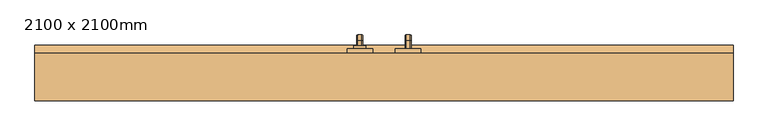
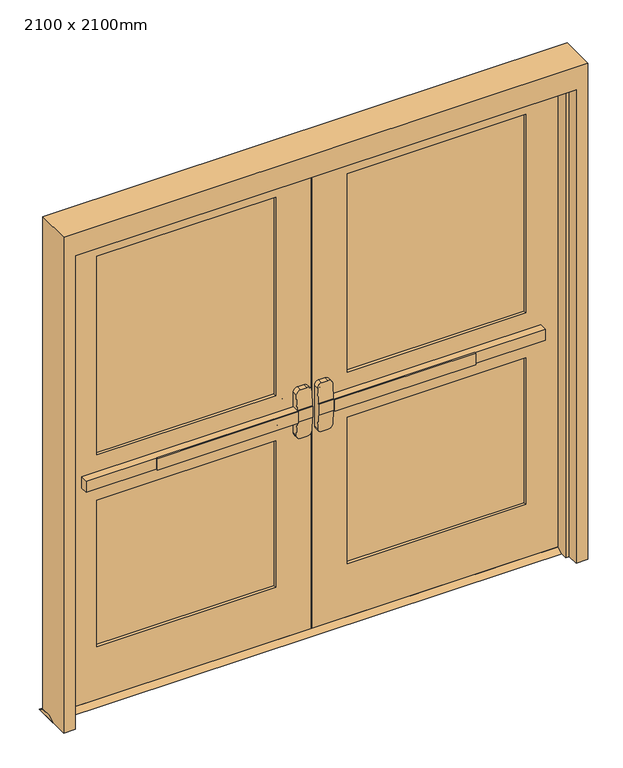
"""IFC4 building model written with IfcOpenShell, lengths in millimetres: door geometry, 2100 x 2100mm."""

from ifc_helpers import new_model, si_unit, point, frame, frame_2d, origin, place, context, project, spatial, polyline, circle_curve, ellipse_curve, trimmed, segment, composite_curve, outline, extrude, faceted_brep, source, transform, mapped, element, save
from ifc_brep_helpers import plane_surface, cylinder_surface, revolved_surface, advanced_brep


def door_2100_x_2100mm_03cffece(model_context):
    return source(origin(), model_context, "Body", "SolidModel", [
        extrude(outline(polyline([(-667.2, 108.25), (-667.2, 114.6), (-76.2, 114.6), (-76.2, 108.25), (-667.2, 108.25)])), frame((0.0, 0.0, 974.6), z_axis=(0.0, 0.0, 1.0), x_axis=(1.0, 0.0, 0.0)), (0.0, 0.0, 1.0), 50.8),
        advanced_brep(
        [(-12.7, 114.6, 1025.4), (-76.2, 114.6, 1025.4), (-962.7, 114.6, 1025.4), (-962.7, 114.6, 974.6), (-76.2, 114.6, 974.6), (-12.7, 114.6, 974.6), (-962.7, 146.35, 1025.4), (-76.2, 146.35, 1025.4), (-76.2, 146.35, 1088.9), (-57.15, 146.35, 1107.95), (-31.75, 146.35, 1107.95), (-12.7, 146.35, 1088.9), (-12.7, 146.35, 911.1), (-31.75, 146.35, 892.05), (-57.15, 146.35, 892.05), (-76.2, 146.35, 911.1), (-76.2, 146.35, 974.6), (-962.7, 146.35, 974.6), (-12.7, 117.7752467, 1025.4), (-76.2, 117.7752467, 1025.4), (-12.7, 117.7752467, 974.6), (-12.7, 122.7854269, 911.1), (-12.7, 122.7854269, 1088.9), (-76.2, 117.7752467, 974.6), (-76.2, 122.7854269, 1088.9), (-76.2, 122.7854269, 911.1), (-57.15, 124.288481, 1107.95), (-31.75, 124.288481, 1107.95), (-31.75, 124.288481, 892.05), (-57.15, 124.288481, 892.05)],
        [
            (0, 1),
            (1, 2),
            (2, 3),
            (3, 4),
            (4, 5),
            (5, 0),
            (6, 7),
            (7, 8),
            (8, 9, circle_curve(frame((-57.15, 146.35, 1088.9), z_axis=(0.0, 1.0, 0.0), x_axis=(-1.0, 0.0, 0.0)), 19.05)),
            (9, 10),
            (10, 11, circle_curve(frame((-31.75, 146.35, 1088.9), z_axis=(0.0, 1.0, 0.0), x_axis=(-1.0, 0.0, 0.0)), 19.05)),
            (11, 12),
            (12, 13, circle_curve(frame((-31.75, 146.35, 911.1), z_axis=(0.0, 1.0, 0.0), x_axis=(-1.0, 0.0, 0.0)), 19.05)),
            (13, 14),
            (14, 15, circle_curve(frame((-57.15, 146.35, 911.1), z_axis=(0.0, 1.0, 0.0), x_axis=(-1.0, 0.0, 0.0)), 19.05)),
            (15, 16),
            (16, 17),
            (17, 6),
            (0, 18),
            (18, 19),
            (19, 7),
            (6, 2),
            (5, 20),
            (20, 21),
            (21, 12),
            (11, 22),
            (22, 18),
            (16, 23),
            (23, 20),
            (3, 17),
            (19, 24),
            (24, 8),
            (15, 25),
            (25, 23),
            (9, 26),
            (26, 27),
            (27, 10),
            (13, 28),
            (28, 29),
            (29, 14),
            (29, 25, ellipse_curve(frame((-57.15, 122.7854269, 911.1), z_axis=(0.0, 0.9969018152893365, 0.07865602756830282), x_axis=(0.0, -0.07865602756830208, 0.9969018152893365)), 19.1092038, 19.05)),
            (24, 26, ellipse_curve(frame((-57.15, 122.7854269, 1088.9), z_axis=(0.0, 0.9969018152893376, -0.07865602756828934), x_axis=(0.0, -0.078656027568288, -0.9969018152893377)), 19.1092038, 19.05)),
            (27, 22, ellipse_curve(frame((-31.75, 122.7854269, 1088.9), z_axis=(0.0, 0.9969018152893376, -0.07865602756828934), x_axis=(0.0, -0.078656027568288, -0.9969018152893377)), 19.1092038, 19.05)),
            (21, 28, ellipse_curve(frame((-31.75, 122.7854269, 911.1), z_axis=(0.0, 0.9969018152893365, 0.07865602756830282), x_axis=(0.0, -0.07865602756830208, 0.9969018152893365)), 19.1092038, 19.05)),
        ],
        [
            plane_surface(frame((-12.7, 114.6, 1025.4), z_axis=(0.0, -1.0, 0.0), x_axis=(1.0, 0.0, 0.0))),
            plane_surface(frame((-12.7, 146.35, 1025.4), z_axis=(0.0, 1.0, 0.0), x_axis=(-1.0, 0.0, 0.0))),
            plane_surface(frame((-962.7, 114.6, 1025.4), z_axis=(0.0, 0.0, 1.0), x_axis=(0.0, 1.0, 0.0))),
            plane_surface(frame((-12.7, 114.6, 1025.4), z_axis=(1.0, 0.0, 0.0), x_axis=(0.0, 1.0, 0.0))),
            plane_surface(frame((-12.7, 114.6, 974.6), z_axis=(0.0, 0.0, -1.0), x_axis=(0.0, 1.0, 0.0))),
            plane_surface(frame((-962.7, 114.6, 974.6), z_axis=(-1.0, 0.0, 0.0), x_axis=(0.0, 1.0, 0.0))),
            plane_surface(frame((-76.2, 117.7752467, 911.1), z_axis=(-1.0, 0.0, 0.0), x_axis=(0.0, 1.0, 0.0))),
            plane_surface(frame((-57.15, 117.7752467, 1107.95), z_axis=(0.0, 0.0, 1.0), x_axis=(0.0, 1.0, 0.0))),
            plane_surface(frame((-31.75, 117.7752467, 892.05), z_axis=(0.0, 0.0, -1.0), x_axis=(0.0, 1.0, 0.0))),
            cylinder_surface(frame((-57.15, 146.35, 911.1), z_axis=(0.0, -1.0, 0.0), x_axis=(-1.0, 0.0, 0.0)), 19.05),
            cylinder_surface(frame((-57.15, 146.35, 1088.9), z_axis=(0.0, -1.0, 0.0), x_axis=(-1.0, 0.0, 0.0)), 19.05),
            cylinder_surface(frame((-31.75, 146.35, 1088.9), z_axis=(0.0, -1.0, 0.0), x_axis=(-1.0, 0.0, 0.0)), 19.05),
            cylinder_surface(frame((-31.75, 146.35, 911.1), z_axis=(0.0, -1.0, 0.0), x_axis=(-1.0, 0.0, 0.0)), 19.05),
            plane_surface(frame((-76.2, 117.7752467, 1025.4), z_axis=(0.0, -0.9969018152893376, 0.07865602756828934), x_axis=(1.0, 0.0, 0.0))),
            plane_surface(frame((-76.2, 124.288481, 892.05), z_axis=(0.0, -0.9969018152893365, -0.07865602756830282), x_axis=(1.0, 0.0, 0.0))),
        ],
        [
            (0, [[1, 2, 3, 4, 5, 6]]),
            (1, [[7, 8, 9, 10, 11, 12, 13, 14, 15, 16, 17, 18]]),
            (2, [[-2, -1, 19, 20, 21, -7, 22]]),
            (3, [[23, 24, 25, -12, 26, 27, -19, -6]]),
            (4, [[-17, 28, 29, -23, -5, -4, 30]]),
            (5, [[-22, -18, -30, -3]]),
            (6, [[-21, 31, 32, -8]]),
            (6, [[33, 34, -28, -16]]),
            (7, [[35, 36, 37, -10]]),
            (8, [[38, 39, 40, -14]]),
            (9, [[-40, 41, -33, -15]]),
            (10, [[-32, 42, -35, -9]]),
            (11, [[-37, 43, -26, -11]]),
            (12, [[-25, 44, -38, -13]]),
            (13, [[-27, -43, -36, -42, -31, -20]]),
            (14, [[-29, -34, -41, -39, -44, -24]]),
        ],
    ),
        extrude(outline(polyline([(191.35, 15.0), (216.75, 0.0), (120.95, 0.0), (146.35, 15.0), (191.35, 15.0)])), frame((-1100.0, 0.0, 0.0), z_axis=(1.0, 0.0, 0.0), x_axis=(0.0, 1.0, 0.0)), (0.0, 0.0, 1.0), 2200.0),
        extrude(outline(polyline([(667.2, 108.25), (76.2, 108.25), (76.2, 114.6), (667.2, 114.6), (667.2, 108.25)])), frame((0.0, 0.0, 974.6), z_axis=(0.0, 0.0, 1.0), x_axis=(1.0, 0.0, 0.0)), (0.0, 0.0, 1.0), 50.8),
        advanced_brep(
        [(12.7, 114.6, 1025.4), (12.7, 114.6, 974.6), (76.2, 114.6, 974.6), (962.7, 114.6, 974.6), (962.7, 114.6, 1025.4), (76.2, 114.6, 1025.4), (962.7, 146.35, 1025.4), (962.7, 146.35, 974.6), (76.2, 146.35, 974.6), (76.2, 146.35, 911.1), (57.15, 146.35, 892.05), (31.75, 146.35, 892.05), (12.7, 146.35, 911.1), (12.7, 146.35, 1088.9), (31.75, 146.35, 1107.95), (57.15, 146.35, 1107.95), (76.2, 146.35, 1088.9), (76.2, 146.35, 1025.4), (76.2, 117.7752467, 1025.4), (12.7, 117.7752467, 1025.4), (12.7, 122.7854269, 1088.9), (12.7, 122.7854269, 911.1), (12.7, 117.7752467, 974.6), (76.2, 117.7752467, 974.6), (76.2, 122.7854269, 911.1), (76.2, 122.7854269, 1088.9), (31.75, 124.288481, 1107.95), (57.15, 124.288481, 1107.95), (57.15, 124.288481, 892.05), (31.75, 124.288481, 892.05)],
        [
            (0, 1),
            (1, 2),
            (2, 3),
            (3, 4),
            (4, 5),
            (5, 0),
            (6, 7),
            (7, 8),
            (8, 9),
            (9, 10, circle_curve(frame((57.15, 146.35, 911.1), z_axis=(0.0, 1.0, 0.0), x_axis=(1.0, 0.0, 0.0)), 19.05)),
            (10, 11),
            (11, 12, circle_curve(frame((31.75, 146.35, 911.1), z_axis=(0.0, 1.0, 0.0), x_axis=(1.0, 0.0, 0.0)), 19.05)),
            (12, 13),
            (13, 14, circle_curve(frame((31.75, 146.35, 1088.9), z_axis=(0.0, 1.0, 0.0), x_axis=(1.0, 0.0, 0.0)), 19.05)),
            (14, 15),
            (15, 16, circle_curve(frame((57.15, 146.35, 1088.9), z_axis=(0.0, 1.0, 0.0), x_axis=(1.0, 0.0, 0.0)), 19.05)),
            (16, 17),
            (17, 6),
            (4, 6),
            (17, 18),
            (18, 19),
            (19, 0),
            (19, 20),
            (20, 13),
            (12, 21),
            (21, 22),
            (22, 1),
            (7, 3),
            (22, 23),
            (23, 8),
            (23, 24),
            (24, 9),
            (16, 25),
            (25, 18),
            (14, 26),
            (26, 27),
            (27, 15),
            (10, 28),
            (28, 29),
            (29, 11),
            (24, 28, ellipse_curve(frame((57.15, 122.7854269, 911.1), z_axis=(0.0, 0.9969018152893365, 0.07865602756830282), x_axis=(0.0, -0.07865602756830208, 0.9969018152893365)), 19.1092038, 19.05)),
            (27, 25, ellipse_curve(frame((57.15, 122.7854269, 1088.9), z_axis=(0.0, 0.9969018152893376, -0.07865602756828934), x_axis=(0.0, -0.078656027568288, -0.9969018152893377)), 19.1092038, 19.05)),
            (20, 26, ellipse_curve(frame((31.75, 122.7854269, 1088.9), z_axis=(0.0, 0.9969018152893376, -0.07865602756828934), x_axis=(0.0, -0.078656027568288, -0.9969018152893377)), 19.1092038, 19.05)),
            (29, 21, ellipse_curve(frame((31.75, 122.7854269, 911.1), z_axis=(0.0, 0.9969018152893365, 0.07865602756830282), x_axis=(0.0, -0.07865602756830208, 0.9969018152893365)), 19.1092038, 19.05)),
        ],
        [
            plane_surface(frame((12.7, 114.6, 1025.4), z_axis=(0.0, -1.0, 0.0), x_axis=(-1.0, 0.0, 0.0))),
            plane_surface(frame((12.7, 146.35, 1025.4), z_axis=(0.0, 1.0, 0.0), x_axis=(1.0, 0.0, 0.0))),
            plane_surface(frame((962.7, 114.6, 1025.4), z_axis=(0.0, 0.0, 1.0), x_axis=(0.0, 1.0, 0.0))),
            plane_surface(frame((12.7, 114.6, 1025.4), z_axis=(-1.0, 0.0, 0.0), x_axis=(0.0, 1.0, 0.0))),
            plane_surface(frame((12.7, 114.6, 974.6), z_axis=(0.0, 0.0, -1.0), x_axis=(0.0, 1.0, 0.0))),
            plane_surface(frame((962.7, 114.6, 974.6), z_axis=(1.0, 0.0, 0.0), x_axis=(0.0, 1.0, 0.0))),
            plane_surface(frame((76.2, 117.7752467, 911.1), z_axis=(1.0, 0.0, 0.0), x_axis=(0.0, 1.0, 0.0))),
            plane_surface(frame((57.15, 117.7752467, 1107.95), z_axis=(0.0, 0.0, 1.0), x_axis=(0.0, 1.0, 0.0))),
            plane_surface(frame((31.75, 117.7752467, 892.05), z_axis=(0.0, 0.0, -1.0), x_axis=(0.0, 1.0, 0.0))),
            cylinder_surface(frame((57.15, 146.35, 911.1), z_axis=(0.0, -1.0, 0.0), x_axis=(1.0, 0.0, 0.0)), 19.05),
            cylinder_surface(frame((57.15, 146.35, 1088.9), z_axis=(0.0, -1.0, 0.0), x_axis=(1.0, 0.0, 0.0)), 19.05),
            cylinder_surface(frame((31.75, 146.35, 1088.9), z_axis=(0.0, -1.0, 0.0), x_axis=(1.0, 0.0, 0.0)), 19.05),
            cylinder_surface(frame((31.75, 146.35, 911.1), z_axis=(0.0, -1.0, 0.0), x_axis=(1.0, 0.0, 0.0)), 19.05),
            plane_surface(frame((76.2, 117.7752467, 1025.4), z_axis=(0.0, -0.9969018152893376, 0.07865602756828934), x_axis=(-1.0, 0.0, 0.0))),
            plane_surface(frame((76.2, 124.288481, 892.05), z_axis=(0.0, -0.9969018152893365, -0.07865602756830282), x_axis=(-1.0, 0.0, 0.0))),
        ],
        [
            (0, [[1, 2, 3, 4, 5, 6]]),
            (1, [[7, 8, 9, 10, 11, 12, 13, 14, 15, 16, 17, 18]]),
            (2, [[19, -18, 20, 21, 22, -6, -5]]),
            (3, [[-1, -22, 23, 24, -13, 25, 26, 27]]),
            (4, [[28, -3, -2, -27, 29, 30, -8]]),
            (5, [[-4, -28, -7, -19]]),
            (6, [[-9, -30, 31, 32]]),
            (6, [[-17, 33, 34, -20]]),
            (7, [[-15, 35, 36, 37]]),
            (8, [[-11, 38, 39, 40]]),
            (9, [[-10, -32, 41, -38]]),
            (10, [[-16, -37, 42, -33]]),
            (11, [[-14, -24, 43, -35]]),
            (12, [[-12, -40, 44, -25]]),
            (13, [[-21, -34, -42, -36, -43, -23]]),
            (14, [[-26, -44, -39, -41, -31, -29]]),
        ],
    ),
        advanced_brep(
        [(66.2, 206.35, 1001.190625), (66.2, 206.35, 998.809375), (69.771875, 206.35, 995.2375), (82.6284594, 206.35, 995.2375), (86.2, 206.35, 998.8090406), (86.2, 206.35, 1001.190625), (82.628125, 206.35, 1004.7625), (69.771875, 206.35, 1004.7625), (66.2, 206.35, 874.609375), (69.771875, 206.35, 871.0375), (82.628125, 206.35, 871.0375), (86.2, 206.35, 874.609375), (86.2, 206.35, 876.9909594), (82.6284594, 206.35, 880.5625), (69.771875, 206.35, 880.5625), (66.2, 206.35, 876.990625), (66.2, 231.75, 1001.190625), (66.2, 245.640625, 987.3), (66.2, 245.640625, 888.5), (66.2, 231.75, 874.609375), (66.2, 231.75, 876.990625), (66.2, 243.259375, 888.5), (66.2, 243.259375, 987.3), (66.2, 231.75, 998.809375), (69.771875, 231.75, 995.2375), (82.6284594, 231.75, 995.2375), (86.2, 231.75, 998.8090406), (86.2, 243.2590406, 987.3), (86.2, 243.2590406, 888.5), (86.2, 231.75, 876.9909594), (86.2, 231.75, 874.609375), (86.2, 245.640625, 888.5), (86.2, 245.640625, 987.3), (86.2, 231.75, 1001.190625), (82.628125, 231.75, 1004.7625), (69.771875, 231.75, 1004.7625), (69.771875, 239.6875, 987.3), (82.6284594, 239.6875, 987.3), (82.628125, 249.2125, 987.3), (69.771875, 249.2125, 987.3), (69.771875, 239.6875, 888.5), (82.6284594, 239.6875, 888.5), (82.628125, 249.2125, 888.5), (69.771875, 249.2125, 888.5), (69.771875, 231.75, 880.5625), (82.6284594, 231.75, 880.5625), (82.628125, 231.75, 871.0375), (69.771875, 231.75, 871.0375)],
        [
            (0, 1),
            (1, 2, circle_curve(frame((69.771875, 206.35, 998.809375), z_axis=(0.0, -1.0, 0.0), x_axis=(0.0, 0.0, 1.0)), 3.571875)),
            (2, 3),
            (3, 4, circle_curve(frame((82.6284594, 206.35, 998.8090406), z_axis=(0.0, -1.0, 0.0), x_axis=(0.0, 0.0, 1.0)), 3.5715406)),
            (4, 5),
            (5, 6, circle_curve(frame((82.628125, 206.35, 1001.190625), z_axis=(0.0, -1.0, 0.0), x_axis=(0.0, 0.0, 1.0)), 3.571875)),
            (6, 7),
            (7, 0, circle_curve(frame((69.771875, 206.35, 1001.190625), z_axis=(0.0, -1.0, 0.0), x_axis=(0.0, 0.0, 1.0)), 3.571875)),
            (8, 9, circle_curve(frame((69.771875, 206.35, 874.609375), z_axis=(0.0, -1.0, 0.0), x_axis=(0.0, 0.0, -1.0)), 3.571875)),
            (9, 10),
            (10, 11, circle_curve(frame((82.628125, 206.35, 874.609375), z_axis=(0.0, -1.0, 0.0), x_axis=(0.0, 0.0, -1.0)), 3.571875)),
            (11, 12),
            (12, 13, circle_curve(frame((82.6284594, 206.35, 876.9909594), z_axis=(0.0, -1.0, 0.0), x_axis=(0.0, 0.0, -1.0)), 3.5715406)),
            (13, 14),
            (14, 15, circle_curve(frame((69.771875, 206.35, 876.990625), z_axis=(0.0, -1.0, 0.0), x_axis=(0.0, 0.0, -1.0)), 3.571875)),
            (15, 8),
            (0, 16),
            (16, 17, circle_curve(frame((66.2, 231.75, 987.3), z_axis=(-1.0, 0.0, 0.0), x_axis=(0.0, 0.0, 1.0)), 13.890625)),
            (17, 18),
            (18, 19, circle_curve(frame((66.2, 231.75, 888.5), z_axis=(-1.0, 0.0, 0.0), x_axis=(0.0, 1.0, 0.0)), 13.890625)),
            (19, 8),
            (15, 20),
            (20, 21, circle_curve(frame((66.2, 231.75, 888.5), z_axis=(1.0, 0.0, 0.0), x_axis=(0.0, 1.0, 0.0)), 11.509375)),
            (21, 22),
            (22, 23, circle_curve(frame((66.2, 231.75, 987.3), z_axis=(1.0, 0.0, 0.0), x_axis=(0.0, 0.0, 1.0)), 11.509375)),
            (23, 1),
            (23, 24, circle_curve(frame((69.771875, 231.75, 998.809375), z_axis=(0.0, -1.0, 0.0), x_axis=(0.0, 0.0, 1.0)), 3.571875)),
            (24, 2),
            (24, 25),
            (25, 3),
            (25, 26, circle_curve(frame((82.6284594, 231.75, 998.8090406), z_axis=(0.0, -1.0, 0.0), x_axis=(0.0, 0.0, 1.0)), 3.5715406)),
            (26, 4),
            (26, 27, circle_curve(frame((86.2, 231.75, 987.3), z_axis=(-1.0, 0.0, 0.0), x_axis=(0.0, 0.0, 1.0)), 11.5090406)),
            (27, 28),
            (28, 29, circle_curve(frame((86.2, 231.75, 888.5), z_axis=(-1.0, 0.0, 0.0), x_axis=(0.0, 1.0, 0.0)), 11.5090406)),
            (29, 12),
            (11, 30),
            (30, 31, circle_curve(frame((86.2, 231.75, 888.5), z_axis=(1.0, 0.0, 0.0), x_axis=(0.0, 1.0, 0.0)), 13.890625)),
            (31, 32),
            (32, 33, circle_curve(frame((86.2, 231.75, 987.3), z_axis=(1.0, 0.0, 0.0), x_axis=(0.0, 0.0, 1.0)), 13.890625)),
            (33, 5),
            (33, 34, circle_curve(frame((82.628125, 231.75, 1001.190625), z_axis=(0.0, -1.0, 0.0), x_axis=(0.0, 0.0, 1.0)), 3.571875)),
            (34, 6),
            (34, 35),
            (35, 7),
            (35, 16, circle_curve(frame((69.771875, 231.75, 1001.190625), z_axis=(0.0, -1.0, 0.0), x_axis=(0.0, 0.0, 1.0)), 3.571875)),
            (36, 24, circle_curve(frame((69.771875, 231.75, 987.3), z_axis=(1.0, 0.0, 0.0), x_axis=(0.0, 0.0, 1.0)), 7.9375)),
            (22, 36, circle_curve(frame((69.771875, 243.259375, 987.3), z_axis=(0.0, 0.0, 1.0), x_axis=(0.0, 1.0, 0.0)), 3.571875)),
            (37, 25, circle_curve(frame((82.6284594, 231.75, 987.3), z_axis=(1.0, 0.0, 0.0), x_axis=(0.0, 0.0, 1.0)), 7.9375)),
            (36, 37),
            (37, 27, circle_curve(frame((82.6284594, 243.2590406, 987.3), z_axis=(0.0, 0.0, 1.0), x_axis=(0.0, 1.0, 0.0)), 3.5715406)),
            (38, 34, circle_curve(frame((82.628125, 231.75, 987.3), z_axis=(1.0, 0.0, 0.0), x_axis=(0.0, 0.0, 1.0)), 17.4625)),
            (32, 38, circle_curve(frame((82.628125, 245.640625, 987.3), z_axis=(0.0, 0.0, 1.0), x_axis=(0.0, 1.0, 0.0)), 3.571875)),
            (39, 35, circle_curve(frame((69.771875, 231.75, 987.3), z_axis=(1.0, 0.0, 0.0), x_axis=(0.0, 0.0, 1.0)), 17.4625)),
            (38, 39),
            (39, 17, circle_curve(frame((69.771875, 245.640625, 987.3), z_axis=(0.0, 0.0, 1.0), x_axis=(0.0, 1.0, 0.0)), 3.571875)),
            (21, 40, circle_curve(frame((69.771875, 243.259375, 888.5), z_axis=(0.0, 0.0, 1.0), x_axis=(0.0, 1.0, 0.0)), 3.571875)),
            (40, 36),
            (40, 41),
            (41, 37),
            (41, 28, circle_curve(frame((82.6284594, 243.2590406, 888.5), z_axis=(0.0, 0.0, 1.0), x_axis=(0.0, 1.0, 0.0)), 3.5715406)),
            (31, 42, circle_curve(frame((82.628125, 245.640625, 888.5), z_axis=(0.0, 0.0, 1.0), x_axis=(0.0, 1.0, 0.0)), 3.571875)),
            (42, 38),
            (42, 43),
            (43, 39),
            (43, 18, circle_curve(frame((69.771875, 245.640625, 888.5), z_axis=(0.0, 0.0, 1.0), x_axis=(0.0, 1.0, 0.0)), 3.571875)),
            (44, 40, circle_curve(frame((69.771875, 231.75, 888.5), z_axis=(1.0, 0.0, 0.0), x_axis=(0.0, 1.0, 0.0)), 7.9375)),
            (20, 44, circle_curve(frame((69.771875, 231.75, 876.990625), z_axis=(0.0, 1.0, 0.0), x_axis=(0.0, 0.0, -1.0)), 3.571875)),
            (45, 41, circle_curve(frame((82.6284594, 231.75, 888.5), z_axis=(1.0, 0.0, 0.0), x_axis=(0.0, 1.0, 0.0)), 7.9375)),
            (44, 45),
            (45, 29, circle_curve(frame((82.6284594, 231.75, 876.9909594), z_axis=(0.0, 1.0, 0.0), x_axis=(0.0, 0.0, -1.0)), 3.5715406)),
            (46, 42, circle_curve(frame((82.628125, 231.75, 888.5), z_axis=(1.0, 0.0, 0.0), x_axis=(0.0, 1.0, 0.0)), 17.4625)),
            (30, 46, circle_curve(frame((82.628125, 231.75, 874.609375), z_axis=(0.0, 1.0, 0.0), x_axis=(0.0, 0.0, -1.0)), 3.571875)),
            (47, 43, circle_curve(frame((69.771875, 231.75, 888.5), z_axis=(1.0, 0.0, 0.0), x_axis=(0.0, 1.0, 0.0)), 17.4625)),
            (46, 47),
            (47, 19, circle_curve(frame((69.771875, 231.75, 874.609375), z_axis=(0.0, 1.0, 0.0), x_axis=(0.0, 0.0, -1.0)), 3.571875)),
            (14, 44),
            (13, 45),
            (10, 46),
            (9, 47),
        ],
        [
            plane_surface(frame((76.2, 206.35, 1000.0), z_axis=(0.0, -1.0, 0.0), x_axis=(1.0, 0.0, 0.0))),
            plane_surface(frame((76.2, 206.35, 875.8), z_axis=(0.0, -1.0, 0.0), x_axis=(1.0, 0.0, 0.0))),
            plane_surface(frame((66.2, 206.35, 1001.190625), z_axis=(-1.0, 0.0, 0.0), x_axis=(0.0, 1.0, 0.0))),
            cylinder_surface(frame((69.771875, 206.35, 998.809375), z_axis=(0.0, -1.0, 0.0), x_axis=(0.0, 0.0, 1.0)), 3.571875),
            plane_surface(frame((69.771875, 206.35, 995.2375), z_axis=(0.0, 0.0, -1.0), x_axis=(0.0, 1.0, 0.0))),
            cylinder_surface(frame((82.6284594, 206.35, 998.8090406), z_axis=(0.0, -1.0, 0.0), x_axis=(0.0, 0.0, 1.0)), 3.5715406),
            plane_surface(frame((86.2, 206.35, 998.8090406), z_axis=(1.0, 0.0, 0.0), x_axis=(0.0, 1.0, 0.0))),
            cylinder_surface(frame((82.628125, 206.35, 1001.190625), z_axis=(0.0, -1.0, 0.0), x_axis=(0.0, 0.0, 1.0)), 3.571875),
            plane_surface(frame((82.628125, 206.35, 1004.7625), z_axis=(0.0, 0.0, 1.0), x_axis=(0.0, 1.0, 0.0))),
            cylinder_surface(frame((69.771875, 206.35, 1001.190625), z_axis=(0.0, -1.0, 0.0), x_axis=(0.0, 0.0, 1.0)), 3.571875),
            revolved_surface(trimmed(ellipse_curve(frame((69.771875, 231.75, 998.809375), z_axis=(0.0, -1.0, 0.0), x_axis=(0.0, 0.0, 1.0)), 3.571875, 3.571875), [point((66.2, 231.75, 998.809375))], [point((69.771875, 231.75, 995.2375))], True, "CARTESIAN"), (76.2, 231.75, 987.3), (-1.0, 0.0, 0.0)),
            revolved_surface(polyline([(69.771875, 231.75, 995.2375), (82.6284594, 231.75, 995.2375)]), (76.2, 231.75, 987.3), (-1.0, 0.0, 0.0)),
            revolved_surface(trimmed(ellipse_curve(frame((82.6284594, 231.75, 998.8090406), z_axis=(0.0, -1.0, 0.0), x_axis=(0.0, 0.0, 1.0)), 3.5715406, 3.5715406), [point((82.6284594, 231.75, 995.2375))], [point((86.2, 231.75, 998.8090406))], True, "CARTESIAN"), (76.2, 231.75, 987.3), (-1.0, 0.0, 0.0)),
            revolved_surface(trimmed(ellipse_curve(frame((82.628125, 231.75, 1001.190625), z_axis=(0.0, -1.0, 0.0), x_axis=(0.0, 0.0, 1.0)), 3.571875, 3.571875), [point((86.2, 231.75, 1001.190625))], [point((82.628125, 231.75, 1004.7625))], True, "CARTESIAN"), (76.2, 231.75, 987.3), (-1.0, 0.0, 0.0)),
            cylinder_surface(frame((76.2, 231.75, 987.3), z_axis=(-1.0, 0.0, 0.0), x_axis=(0.0, 0.0, 1.0)), 17.4625),
            revolved_surface(trimmed(ellipse_curve(frame((69.771875, 231.75, 1001.190625), z_axis=(0.0, -1.0, 0.0), x_axis=(0.0, 0.0, 1.0)), 3.571875, 3.571875), [point((69.771875, 231.75, 1004.7625))], [point((66.2, 231.75, 1001.190625))], True, "CARTESIAN"), (76.2, 231.75, 987.3), (-1.0, 0.0, 0.0)),
            cylinder_surface(frame((69.771875, 243.259375, 987.3), z_axis=(0.0, 0.0, 1.0), x_axis=(0.0, 1.0, 0.0)), 3.571875),
            plane_surface(frame((69.771875, 239.6875, 987.3), z_axis=(0.0, -1.0, 0.0), x_axis=(0.0, 0.0, -1.0))),
            cylinder_surface(frame((82.6284594, 243.2590406, 987.3), z_axis=(0.0, 0.0, 1.0), x_axis=(0.0, 1.0, 0.0)), 3.5715406),
            cylinder_surface(frame((82.628125, 245.640625, 987.3), z_axis=(0.0, 0.0, 1.0), x_axis=(0.0, 1.0, 0.0)), 3.571875),
            plane_surface(frame((82.628125, 249.2125, 987.3), z_axis=(0.0, 1.0, 0.0), x_axis=(0.0, 0.0, -1.0))),
            cylinder_surface(frame((69.771875, 245.640625, 987.3), z_axis=(0.0, 0.0, 1.0), x_axis=(0.0, 1.0, 0.0)), 3.571875),
            revolved_surface(trimmed(ellipse_curve(frame((69.771875, 243.259375, 888.5), z_axis=(0.0, 0.0, 1.0), x_axis=(0.0, 1.0, 0.0)), 3.571875, 3.571875), [point((66.2, 243.259375, 888.5))], [point((69.771875, 239.6875, 888.5))], True, "CARTESIAN"), (76.2, 231.75, 888.5), (-1.0, 0.0, 0.0)),
            revolved_surface(polyline([(69.771875, 239.6875, 888.5), (82.6284594, 239.6875, 888.5)]), (76.2, 231.75, 888.5), (-1.0, 0.0, 0.0)),
            revolved_surface(trimmed(ellipse_curve(frame((82.6284594, 243.2590406, 888.5), z_axis=(0.0, 0.0, 1.0), x_axis=(0.0, 1.0, 0.0)), 3.5715406, 3.5715406), [point((82.6284594, 239.6875, 888.5))], [point((86.2, 243.2590406, 888.5))], True, "CARTESIAN"), (76.2, 231.75, 888.5), (-1.0, 0.0, 0.0)),
            revolved_surface(trimmed(ellipse_curve(frame((82.628125, 245.640625, 888.5), z_axis=(0.0, 0.0, 1.0), x_axis=(0.0, 1.0, 0.0)), 3.571875, 3.571875), [point((86.2, 245.640625, 888.5))], [point((82.628125, 249.2125, 888.5))], True, "CARTESIAN"), (76.2, 231.75, 888.5), (-1.0, 0.0, 0.0)),
            cylinder_surface(frame((76.2, 231.75, 888.5), z_axis=(-1.0, 0.0, 0.0), x_axis=(0.0, 1.0, 0.0)), 17.4625),
            revolved_surface(trimmed(ellipse_curve(frame((69.771875, 245.640625, 888.5), z_axis=(0.0, 0.0, 1.0), x_axis=(0.0, 1.0, 0.0)), 3.571875, 3.571875), [point((69.771875, 249.2125, 888.5))], [point((66.2, 245.640625, 888.5))], True, "CARTESIAN"), (76.2, 231.75, 888.5), (-1.0, 0.0, 0.0)),
            cylinder_surface(frame((69.771875, 231.75, 876.990625), z_axis=(0.0, 1.0, 0.0), x_axis=(0.0, 0.0, -1.0)), 3.571875),
            plane_surface(frame((69.771875, 231.75, 880.5625), z_axis=(0.0, 0.0, 1.0), x_axis=(0.0, -1.0, 0.0))),
            cylinder_surface(frame((82.6284594, 231.75, 876.9909594), z_axis=(0.0, 1.0, 0.0), x_axis=(0.0, 0.0, -1.0)), 3.5715406),
            cylinder_surface(frame((82.628125, 231.75, 874.609375), z_axis=(0.0, 1.0, 0.0), x_axis=(0.0, 0.0, -1.0)), 3.571875),
            plane_surface(frame((82.628125, 231.75, 871.0375), z_axis=(0.0, 0.0, -1.0), x_axis=(0.0, -1.0, 0.0))),
            cylinder_surface(frame((69.771875, 231.75, 874.609375), z_axis=(0.0, 1.0, 0.0), x_axis=(0.0, 0.0, -1.0)), 3.571875),
        ],
        [
            (0, [[1, 2, 3, 4, 5, 6, 7, 8]]),
            (1, [[9, 10, 11, 12, 13, 14, 15, 16]]),
            (2, [[-1, 17, 18, 19, 20, 21, -16, 22, 23, 24, 25, 26]]),
            (3, [[-2, -26, 27, 28]]),
            (4, [[-3, -28, 29, 30]]),
            (5, [[-4, -30, 31, 32]]),
            (6, [[-5, -32, 33, 34, 35, 36, -12, 37, 38, 39, 40, 41]]),
            (7, [[-6, -41, 42, 43]]),
            (8, [[-7, -43, 44, 45]]),
            (9, [[-8, -45, 46, -17]]),
            (10, [[47, -27, -25, 48]]),
            (11, [[49, -29, -47, 50]]),
            (12, [[-33, -31, -49, 51]]),
            (13, [[52, -42, -40, 53]]),
            (14, [[54, -44, -52, 55]]),
            (15, [[-18, -46, -54, 56]]),
            (16, [[-48, -24, 57, 58]]),
            (17, [[-50, -58, 59, 60]]),
            (18, [[-51, -60, 61, -34]]),
            (19, [[-53, -39, 62, 63]]),
            (20, [[-55, -63, 64, 65]]),
            (21, [[-56, -65, 66, -19]]),
            (22, [[67, -57, -23, 68]]),
            (23, [[69, -59, -67, 70]]),
            (24, [[-35, -61, -69, 71]]),
            (25, [[72, -62, -38, 73]]),
            (26, [[74, -64, -72, 75]]),
            (27, [[-20, -66, -74, 76]]),
            (28, [[-68, -22, -15, 77]]),
            (29, [[-70, -77, -14, 78]]),
            (30, [[-71, -78, -13, -36]]),
            (31, [[-73, -37, -11, 79]]),
            (32, [[-75, -79, -10, 80]]),
            (33, [[-76, -80, -9, -21]]),
        ],
    ),
        extrude(outline(composite_curve([segment(trimmed(circle_curve(frame_2d((1094.2338574, 76.2)), 90.1286291), [point((1175.0, 116.2))], [point((1175.0, 36.2))], False, "CARTESIAN"), True, "CONTINUOUS"), segment(polyline([(1175.0, 36.2), (825.0, 36.2)]), True, "CONTINUOUS"), segment(trimmed(circle_curve(frame_2d((905.7661426, 76.2)), 90.1286291), [point((825.0, 36.2))], [point((825.0, 116.2))], False, "CARTESIAN"), True, "CONTINUOUS"), segment(polyline([(825.0, 116.2), (1175.0, 116.2)]), True, "CONTINUOUS")], self_intersect=False)), frame((0.0, 191.35, 0.0), z_axis=(0.0, 1.0, 0.0), x_axis=(0.0, 0.0, 1.0)), (0.0, 0.0, 1.0), 15.0),
        advanced_brep(
        [(-86.2, 206.35, 1001.190625), (-86.2, 206.35, 998.809375), (-82.628125, 206.35, 995.2375), (-69.7715406, 206.35, 995.2375), (-66.2, 206.35, 998.8090406), (-66.2, 206.35, 1001.190625), (-69.771875, 206.35, 1004.7625), (-82.628125, 206.35, 1004.7625), (-86.2, 206.35, 874.609375), (-82.628125, 206.35, 871.0375), (-69.771875, 206.35, 871.0375), (-66.2, 206.35, 874.609375), (-66.2, 206.35, 876.9909594), (-69.7715406, 206.35, 880.5625), (-82.628125, 206.35, 880.5625), (-86.2, 206.35, 876.990625), (-86.2, 231.75, 1001.190625), (-86.2, 245.640625, 987.3), (-86.2, 245.640625, 888.5), (-86.2, 231.75, 874.609375), (-86.2, 231.75, 876.990625), (-86.2, 243.259375, 888.5), (-86.2, 243.259375, 987.3), (-86.2, 231.75, 998.809375), (-82.628125, 231.75, 995.2375), (-69.7715406, 231.75, 995.2375), (-66.2, 231.75, 998.8090406), (-66.2, 243.2590406, 987.3), (-66.2, 243.2590406, 888.5), (-66.2, 231.75, 876.9909594), (-66.2, 231.75, 874.609375), (-66.2, 245.640625, 888.5), (-66.2, 245.640625, 987.3), (-66.2, 231.75, 1001.190625), (-69.771875, 231.75, 1004.7625), (-82.628125, 231.75, 1004.7625), (-82.628125, 239.6875, 987.3), (-69.7715406, 239.6875, 987.3), (-69.771875, 249.2125, 987.3), (-82.628125, 249.2125, 987.3), (-82.628125, 239.6875, 888.5), (-69.7715406, 239.6875, 888.5), (-69.771875, 249.2125, 888.5), (-82.628125, 249.2125, 888.5), (-82.628125, 231.75, 880.5625), (-69.7715406, 231.75, 880.5625), (-69.771875, 231.75, 871.0375), (-82.628125, 231.75, 871.0375)],
        [
            (0, 1),
            (1, 2, circle_curve(frame((-82.628125, 206.35, 998.809375), z_axis=(0.0, -1.0, 0.0), x_axis=(0.0, 0.0, 1.0)), 3.571875)),
            (2, 3),
            (3, 4, circle_curve(frame((-69.7715406, 206.35, 998.8090406), z_axis=(0.0, -1.0, 0.0), x_axis=(0.0, 0.0, 1.0)), 3.5715406)),
            (4, 5),
            (5, 6, circle_curve(frame((-69.771875, 206.35, 1001.190625), z_axis=(0.0, -1.0, 0.0), x_axis=(0.0, 0.0, 1.0)), 3.571875)),
            (6, 7),
            (7, 0, circle_curve(frame((-82.628125, 206.35, 1001.190625), z_axis=(0.0, -1.0, 0.0), x_axis=(0.0, 0.0, 1.0)), 3.571875)),
            (8, 9, circle_curve(frame((-82.628125, 206.35, 874.609375), z_axis=(0.0, -1.0, 0.0), x_axis=(0.0, 0.0, -1.0)), 3.571875)),
            (9, 10),
            (10, 11, circle_curve(frame((-69.771875, 206.35, 874.609375), z_axis=(0.0, -1.0, 0.0), x_axis=(0.0, 0.0, -1.0)), 3.571875)),
            (11, 12),
            (12, 13, circle_curve(frame((-69.7715406, 206.35, 876.9909594), z_axis=(0.0, -1.0, 0.0), x_axis=(0.0, 0.0, -1.0)), 3.5715406)),
            (13, 14),
            (14, 15, circle_curve(frame((-82.628125, 206.35, 876.990625), z_axis=(0.0, -1.0, 0.0), x_axis=(0.0, 0.0, -1.0)), 3.571875)),
            (15, 8),
            (0, 16),
            (16, 17, circle_curve(frame((-86.2, 231.75, 987.3), z_axis=(-1.0, 0.0, 0.0), x_axis=(0.0, 0.0, 1.0)), 13.890625)),
            (17, 18),
            (18, 19, circle_curve(frame((-86.2, 231.75, 888.5), z_axis=(-1.0, 0.0, 0.0), x_axis=(0.0, 1.0, 0.0)), 13.890625)),
            (19, 8),
            (15, 20),
            (20, 21, circle_curve(frame((-86.2, 231.75, 888.5), z_axis=(1.0, 0.0, 0.0), x_axis=(0.0, 1.0, 0.0)), 11.509375)),
            (21, 22),
            (22, 23, circle_curve(frame((-86.2, 231.75, 987.3), z_axis=(1.0, 0.0, 0.0), x_axis=(0.0, 0.0, 1.0)), 11.509375)),
            (23, 1),
            (23, 24, circle_curve(frame((-82.628125, 231.75, 998.809375), z_axis=(0.0, -1.0, 0.0), x_axis=(0.0, 0.0, 1.0)), 3.571875)),
            (24, 2),
            (24, 25),
            (25, 3),
            (25, 26, circle_curve(frame((-69.7715406, 231.75, 998.8090406), z_axis=(0.0, -1.0, 0.0), x_axis=(0.0, 0.0, 1.0)), 3.5715406)),
            (26, 4),
            (26, 27, circle_curve(frame((-66.2, 231.75, 987.3), z_axis=(-1.0, 0.0, 0.0), x_axis=(0.0, 0.0, 1.0)), 11.5090406)),
            (27, 28),
            (28, 29, circle_curve(frame((-66.2, 231.75, 888.5), z_axis=(-1.0, 0.0, 0.0), x_axis=(0.0, 1.0, 0.0)), 11.5090406)),
            (29, 12),
            (11, 30),
            (30, 31, circle_curve(frame((-66.2, 231.75, 888.5), z_axis=(1.0, 0.0, 0.0), x_axis=(0.0, 1.0, 0.0)), 13.890625)),
            (31, 32),
            (32, 33, circle_curve(frame((-66.2, 231.75, 987.3), z_axis=(1.0, 0.0, 0.0), x_axis=(0.0, 0.0, 1.0)), 13.890625)),
            (33, 5),
            (33, 34, circle_curve(frame((-69.771875, 231.75, 1001.190625), z_axis=(0.0, -1.0, 0.0), x_axis=(0.0, 0.0, 1.0)), 3.571875)),
            (34, 6),
            (34, 35),
            (35, 7),
            (35, 16, circle_curve(frame((-82.628125, 231.75, 1001.190625), z_axis=(0.0, -1.0, 0.0), x_axis=(0.0, 0.0, 1.0)), 3.571875)),
            (36, 24, circle_curve(frame((-82.628125, 231.75, 987.3), z_axis=(1.0, 0.0, 0.0), x_axis=(0.0, 0.0, 1.0)), 7.9375)),
            (22, 36, circle_curve(frame((-82.628125, 243.259375, 987.3), z_axis=(0.0, 0.0, 1.0), x_axis=(0.0, 1.0, 0.0)), 3.571875)),
            (37, 25, circle_curve(frame((-69.7715406, 231.75, 987.3), z_axis=(1.0, 0.0, 0.0), x_axis=(0.0, 0.0, 1.0)), 7.9375)),
            (36, 37),
            (37, 27, circle_curve(frame((-69.7715406, 243.2590406, 987.3), z_axis=(0.0, 0.0, 1.0), x_axis=(0.0, 1.0, 0.0)), 3.5715406)),
            (38, 34, circle_curve(frame((-69.771875, 231.75, 987.3), z_axis=(1.0, 0.0, 0.0), x_axis=(0.0, 0.0, 1.0)), 17.4625)),
            (32, 38, circle_curve(frame((-69.771875, 245.640625, 987.3), z_axis=(0.0, 0.0, 1.0), x_axis=(0.0, 1.0, 0.0)), 3.571875)),
            (39, 35, circle_curve(frame((-82.628125, 231.75, 987.3), z_axis=(1.0, 0.0, 0.0), x_axis=(0.0, 0.0, 1.0)), 17.4625)),
            (38, 39),
            (39, 17, circle_curve(frame((-82.628125, 245.640625, 987.3), z_axis=(0.0, 0.0, 1.0), x_axis=(0.0, 1.0, 0.0)), 3.571875)),
            (21, 40, circle_curve(frame((-82.628125, 243.259375, 888.5), z_axis=(0.0, 0.0, 1.0), x_axis=(0.0, 1.0, 0.0)), 3.571875)),
            (40, 36),
            (40, 41),
            (41, 37),
            (41, 28, circle_curve(frame((-69.7715406, 243.2590406, 888.5), z_axis=(0.0, 0.0, 1.0), x_axis=(0.0, 1.0, 0.0)), 3.5715406)),
            (31, 42, circle_curve(frame((-69.771875, 245.640625, 888.5), z_axis=(0.0, 0.0, 1.0), x_axis=(0.0, 1.0, 0.0)), 3.571875)),
            (42, 38),
            (42, 43),
            (43, 39),
            (43, 18, circle_curve(frame((-82.628125, 245.640625, 888.5), z_axis=(0.0, 0.0, 1.0), x_axis=(0.0, 1.0, 0.0)), 3.571875)),
            (44, 40, circle_curve(frame((-82.628125, 231.75, 888.5), z_axis=(1.0, 0.0, 0.0), x_axis=(0.0, 1.0, 0.0)), 7.9375)),
            (20, 44, circle_curve(frame((-82.628125, 231.75, 876.990625), z_axis=(0.0, 1.0, 0.0), x_axis=(0.0, 0.0, -1.0)), 3.571875)),
            (45, 41, circle_curve(frame((-69.7715406, 231.75, 888.5), z_axis=(1.0, 0.0, 0.0), x_axis=(0.0, 1.0, 0.0)), 7.9375)),
            (44, 45),
            (45, 29, circle_curve(frame((-69.7715406, 231.75, 876.9909594), z_axis=(0.0, 1.0, 0.0), x_axis=(0.0, 0.0, -1.0)), 3.5715406)),
            (46, 42, circle_curve(frame((-69.771875, 231.75, 888.5), z_axis=(1.0, 0.0, 0.0), x_axis=(0.0, 1.0, 0.0)), 17.4625)),
            (30, 46, circle_curve(frame((-69.771875, 231.75, 874.609375), z_axis=(0.0, 1.0, 0.0), x_axis=(0.0, 0.0, -1.0)), 3.571875)),
            (47, 43, circle_curve(frame((-82.628125, 231.75, 888.5), z_axis=(1.0, 0.0, 0.0), x_axis=(0.0, 1.0, 0.0)), 17.4625)),
            (46, 47),
            (47, 19, circle_curve(frame((-82.628125, 231.75, 874.609375), z_axis=(0.0, 1.0, 0.0), x_axis=(0.0, 0.0, -1.0)), 3.571875)),
            (14, 44),
            (13, 45),
            (10, 46),
            (9, 47),
        ],
        [
            plane_surface(frame((-76.2, 206.35, 1000.0), z_axis=(0.0, -1.0, 0.0), x_axis=(1.0, 0.0, 0.0))),
            plane_surface(frame((-76.2, 206.35, 875.8), z_axis=(0.0, -1.0, 0.0), x_axis=(1.0, 0.0, 0.0))),
            plane_surface(frame((-86.2, 206.35, 1001.190625), z_axis=(-1.0, 0.0, 0.0), x_axis=(0.0, 1.0, 0.0))),
            cylinder_surface(frame((-82.628125, 206.35, 998.809375), z_axis=(0.0, -1.0, 0.0), x_axis=(0.0, 0.0, 1.0)), 3.571875),
            plane_surface(frame((-82.628125, 206.35, 995.2375), z_axis=(0.0, 0.0, -1.0), x_axis=(0.0, 1.0, 0.0))),
            cylinder_surface(frame((-69.7715406, 206.35, 998.8090406), z_axis=(0.0, -1.0, 0.0), x_axis=(0.0, 0.0, 1.0)), 3.5715406),
            plane_surface(frame((-66.2, 206.35, 998.8090406), z_axis=(1.0, 0.0, 0.0), x_axis=(0.0, 1.0, 0.0))),
            cylinder_surface(frame((-69.771875, 206.35, 1001.190625), z_axis=(0.0, -1.0, 0.0), x_axis=(0.0, 0.0, 1.0)), 3.571875),
            plane_surface(frame((-69.771875, 206.35, 1004.7625), z_axis=(0.0, 0.0, 1.0), x_axis=(0.0, 1.0, 0.0))),
            cylinder_surface(frame((-82.628125, 206.35, 1001.190625), z_axis=(0.0, -1.0, 0.0), x_axis=(0.0, 0.0, 1.0)), 3.571875),
            revolved_surface(trimmed(ellipse_curve(frame((-82.628125, 231.75, 998.809375), z_axis=(0.0, -1.0, 0.0), x_axis=(0.0, 0.0, 1.0)), 3.571875, 3.571875), [point((-86.2, 231.75, 998.809375))], [point((-82.628125, 231.75, 995.2375))], True, "CARTESIAN"), (-76.2, 231.75, 987.3), (-1.0, 0.0, 0.0)),
            revolved_surface(polyline([(-82.628125, 231.75, 995.2375), (-69.7715406, 231.75, 995.2375)]), (-76.2, 231.75, 987.3), (-1.0, 0.0, 0.0)),
            revolved_surface(trimmed(ellipse_curve(frame((-69.7715406, 231.75, 998.8090406), z_axis=(0.0, -1.0, 0.0), x_axis=(0.0, 0.0, 1.0)), 3.5715406, 3.5715406), [point((-69.7715406, 231.75, 995.2375))], [point((-66.2, 231.75, 998.8090406))], True, "CARTESIAN"), (-76.2, 231.75, 987.3), (-1.0, 0.0, 0.0)),
            revolved_surface(trimmed(ellipse_curve(frame((-69.771875, 231.75, 1001.190625), z_axis=(0.0, -1.0, 0.0), x_axis=(0.0, 0.0, 1.0)), 3.571875, 3.571875), [point((-66.2, 231.75, 1001.190625))], [point((-69.771875, 231.75, 1004.7625))], True, "CARTESIAN"), (-76.2, 231.75, 987.3), (-1.0, 0.0, 0.0)),
            cylinder_surface(frame((-76.2, 231.75, 987.3), z_axis=(-1.0, 0.0, 0.0), x_axis=(0.0, 0.0, 1.0)), 17.4625),
            revolved_surface(trimmed(ellipse_curve(frame((-82.628125, 231.75, 1001.190625), z_axis=(0.0, -1.0, 0.0), x_axis=(0.0, 0.0, 1.0)), 3.571875, 3.571875), [point((-82.628125, 231.75, 1004.7625))], [point((-86.2, 231.75, 1001.190625))], True, "CARTESIAN"), (-76.2, 231.75, 987.3), (-1.0, 0.0, 0.0)),
            cylinder_surface(frame((-82.628125, 243.259375, 987.3), z_axis=(0.0, 0.0, 1.0), x_axis=(0.0, 1.0, 0.0)), 3.571875),
            plane_surface(frame((-82.628125, 239.6875, 987.3), z_axis=(0.0, -1.0, 0.0), x_axis=(0.0, 0.0, -1.0))),
            cylinder_surface(frame((-69.7715406, 243.2590406, 987.3), z_axis=(0.0, 0.0, 1.0), x_axis=(0.0, 1.0, 0.0)), 3.5715406),
            cylinder_surface(frame((-69.771875, 245.640625, 987.3), z_axis=(0.0, 0.0, 1.0), x_axis=(0.0, 1.0, 0.0)), 3.571875),
            plane_surface(frame((-69.771875, 249.2125, 987.3), z_axis=(0.0, 1.0, 0.0), x_axis=(0.0, 0.0, -1.0))),
            cylinder_surface(frame((-82.628125, 245.640625, 987.3), z_axis=(0.0, 0.0, 1.0), x_axis=(0.0, 1.0, 0.0)), 3.571875),
            revolved_surface(trimmed(ellipse_curve(frame((-82.628125, 243.259375, 888.5), z_axis=(0.0, 0.0, 1.0), x_axis=(0.0, 1.0, 0.0)), 3.571875, 3.571875), [point((-86.2, 243.259375, 888.5))], [point((-82.628125, 239.6875, 888.5))], True, "CARTESIAN"), (-76.2, 231.75, 888.5), (-1.0, 0.0, 0.0)),
            revolved_surface(polyline([(-82.628125, 239.6875, 888.5), (-69.7715406, 239.6875, 888.5)]), (-76.2, 231.75, 888.5), (-1.0, 0.0, 0.0)),
            revolved_surface(trimmed(ellipse_curve(frame((-69.7715406, 243.2590406, 888.5), z_axis=(0.0, 0.0, 1.0), x_axis=(0.0, 1.0, 0.0)), 3.5715406, 3.5715406), [point((-69.7715406, 239.6875, 888.5))], [point((-66.2, 243.2590406, 888.5))], True, "CARTESIAN"), (-76.2, 231.75, 888.5), (-1.0, 0.0, 0.0)),
            revolved_surface(trimmed(ellipse_curve(frame((-69.771875, 245.640625, 888.5), z_axis=(0.0, 0.0, 1.0), x_axis=(0.0, 1.0, 0.0)), 3.571875, 3.571875), [point((-66.2, 245.640625, 888.5))], [point((-69.771875, 249.2125, 888.5))], True, "CARTESIAN"), (-76.2, 231.75, 888.5), (-1.0, 0.0, 0.0)),
            cylinder_surface(frame((-76.2, 231.75, 888.5), z_axis=(-1.0, 0.0, 0.0), x_axis=(0.0, 1.0, 0.0)), 17.4625),
            revolved_surface(trimmed(ellipse_curve(frame((-82.628125, 245.640625, 888.5), z_axis=(0.0, 0.0, 1.0), x_axis=(0.0, 1.0, 0.0)), 3.571875, 3.571875), [point((-82.628125, 249.2125, 888.5))], [point((-86.2, 245.640625, 888.5))], True, "CARTESIAN"), (-76.2, 231.75, 888.5), (-1.0, 0.0, 0.0)),
            cylinder_surface(frame((-82.628125, 231.75, 876.990625), z_axis=(0.0, 1.0, 0.0), x_axis=(0.0, 0.0, -1.0)), 3.571875),
            plane_surface(frame((-82.628125, 231.75, 880.5625), z_axis=(0.0, 0.0, 1.0), x_axis=(0.0, -1.0, 0.0))),
            cylinder_surface(frame((-69.7715406, 231.75, 876.9909594), z_axis=(0.0, 1.0, 0.0), x_axis=(0.0, 0.0, -1.0)), 3.5715406),
            cylinder_surface(frame((-69.771875, 231.75, 874.609375), z_axis=(0.0, 1.0, 0.0), x_axis=(0.0, 0.0, -1.0)), 3.571875),
            plane_surface(frame((-69.771875, 231.75, 871.0375), z_axis=(0.0, 0.0, -1.0), x_axis=(0.0, -1.0, 0.0))),
            cylinder_surface(frame((-82.628125, 231.75, 874.609375), z_axis=(0.0, 1.0, 0.0), x_axis=(0.0, 0.0, -1.0)), 3.571875),
        ],
        [
            (0, [[1, 2, 3, 4, 5, 6, 7, 8]]),
            (1, [[9, 10, 11, 12, 13, 14, 15, 16]]),
            (2, [[-1, 17, 18, 19, 20, 21, -16, 22, 23, 24, 25, 26]]),
            (3, [[-2, -26, 27, 28]]),
            (4, [[-3, -28, 29, 30]]),
            (5, [[-4, -30, 31, 32]]),
            (6, [[-5, -32, 33, 34, 35, 36, -12, 37, 38, 39, 40, 41]]),
            (7, [[-6, -41, 42, 43]]),
            (8, [[-7, -43, 44, 45]]),
            (9, [[-8, -45, 46, -17]]),
            (10, [[47, -27, -25, 48]]),
            (11, [[49, -29, -47, 50]]),
            (12, [[-33, -31, -49, 51]]),
            (13, [[52, -42, -40, 53]]),
            (14, [[54, -44, -52, 55]]),
            (15, [[-18, -46, -54, 56]]),
            (16, [[-48, -24, 57, 58]]),
            (17, [[-50, -58, 59, 60]]),
            (18, [[-51, -60, 61, -34]]),
            (19, [[-53, -39, 62, 63]]),
            (20, [[-55, -63, 64, 65]]),
            (21, [[-56, -65, 66, -19]]),
            (22, [[67, -57, -23, 68]]),
            (23, [[69, -59, -67, 70]]),
            (24, [[-35, -61, -69, 71]]),
            (25, [[72, -62, -38, 73]]),
            (26, [[74, -64, -72, 75]]),
            (27, [[-20, -66, -74, 76]]),
            (28, [[-68, -22, -15, 77]]),
            (29, [[-70, -77, -14, 78]]),
            (30, [[-71, -78, -13, -36]]),
            (31, [[-73, -37, -11, 79]]),
            (32, [[-75, -79, -10, 80]]),
            (33, [[-76, -80, -9, -21]]),
        ],
    ),
        extrude(outline(composite_curve([segment(trimmed(circle_curve(frame_2d((1098.8, -76.2)), 19.0), [point((1098.8, -95.2))], [point((1098.8, -57.2))], False, "CARTESIAN"), True, "CONTINUOUS"), segment(trimmed(circle_curve(frame_2d((1098.8, -76.2)), 19.0), [point((1098.8, -57.2))], [point((1098.8, -95.2))], False, "CARTESIAN"), True, "CONTINUOUS")], self_intersect=False)), frame((0.0, 206.35, 0.0), z_axis=(0.0, 1.0, 0.0), x_axis=(0.0, 0.0, 1.0)), (0.0, 0.0, 1.0), 8.73125),
        extrude(outline(composite_curve([segment(trimmed(circle_curve(frame_2d((1094.2338574, -76.2)), 90.1286291), [point((1175.0, -36.2))], [point((1175.0, -116.2))], False, "CARTESIAN"), True, "CONTINUOUS"), segment(polyline([(1175.0, -116.2), (825.0, -116.2)]), True, "CONTINUOUS"), segment(trimmed(circle_curve(frame_2d((905.7661426, -76.2)), 90.1286291), [point((825.0, -116.2))], [point((825.0, -36.2))], False, "CARTESIAN"), True, "CONTINUOUS"), segment(polyline([(825.0, -36.2), (1175.0, -36.2)]), True, "CONTINUOUS")], self_intersect=False)), frame((0.0, 191.35, 0.0), z_axis=(0.0, 1.0, 0.0), x_axis=(0.0, 0.0, 1.0)), (0.0, 0.0, 1.0), 15.0),
        faceted_brep([(1050.0, 141.5875, 0.0), (1050.0, 191.35, 0.0), (1100.0, 191.35, 0.0), (1100.0, 41.35, 0.0), (1050.0, 41.35, 0.0), (1050.0, 90.5625, 0.0), (1034.125, 90.5625, 0.0), (1034.125, 141.5875, 0.0), (1050.0, 141.5875, 2100.0), (1050.0, 191.35, 2100.0), (-1050.0, 191.35, 2100.0), (-1050.0, 191.35, 0.0), (-1100.0, 191.35, 0.0), (-1100.0, 191.35, 2200.0), (1100.0, 191.35, 2200.0), (1100.0, 41.35, 2200.0), (-1100.0, 41.35, 2200.0), (-1100.0, 41.35, 0.0), (-1050.0, 41.35, 0.0), (-1050.0, 41.35, 2100.0), (1050.0, 41.35, 2100.0), (1050.0, 90.5625, 2100.0), (-1050.0, 90.5625, 2100.0), (-1050.0, 90.5625, 0.0), (-1034.125, 90.5625, 0.0), (-1034.125, 90.5625, 2084.125), (1034.125, 90.5625, 2084.125), (1034.125, 141.5875, 2084.125), (-1034.125, 141.5875, 2084.125), (-1034.125, 141.5875, 0.0), (-1050.0, 141.5875, 0.0), (-1050.0, 141.5875, 2100.0)], [[[0, 1, 2, 3, 4, 5, 6, 7]], [[1, 0, 8, 9]], [[2, 1, 9, 10, 11, 12, 13, 14]], [[3, 2, 14, 15]], [[4, 3, 15, 16, 17, 18, 19, 20]], [[5, 4, 20, 21]], [[6, 5, 21, 22, 23, 24, 25, 26]], [[7, 6, 26, 27]], [[0, 7, 27, 28, 29, 30, 31, 8]], [[9, 8, 31, 10]], [[20, 19, 22, 21]], [[26, 25, 28, 27]], [[12, 11, 30, 29, 24, 23, 18, 17]], [[11, 10, 31, 30]], [[13, 12, 17, 16]], [[19, 18, 23, 22]], [[25, 24, 29, 28]], [[15, 14, 13, 16]]]),
        extrude(outline(polyline([(2100.0, 1.5875), (15.0, 1.5875), (15.0, 1050.0), (2100.0, 1050.0), (2100.0, 1.5875)]), holes=[polyline([(1980.0, 150.0), (1980.0, 900.0), (1100.0, 900.0), (1100.0, 150.0), (1980.0, 150.0)]), polyline([(900.0, 150.0), (900.0, 900.0), (250.0, 900.0), (250.0, 150.0), (900.0, 150.0)])]), frame((0.0, 146.35, 0.0), z_axis=(0.0, 1.0, 0.0), x_axis=(0.0, 0.0, 1.0)), (0.0, 0.0, 1.0), 45.0),
        extrude(outline(polyline([(15.0, -1.5875), (2100.0, -1.5875), (2100.0, -1050.0), (15.0, -1050.0), (15.0, -1.5875)]), holes=[polyline([(1980.0, -900.0), (1980.0, -150.0), (1100.0, -150.0), (1100.0, -900.0), (1980.0, -900.0)]), polyline([(900.0, -900.0), (900.0, -150.0), (250.0, -150.0), (250.0, -900.0), (900.0, -900.0)])]), frame((0.0, 146.35, 0.0), z_axis=(0.0, 1.0, 0.0), x_axis=(0.0, 0.0, 1.0)), (0.0, 0.0, 1.0), 45.0),
        extrude(outline(polyline([(900.0, 158.85), (150.0, 158.85), (150.0, 178.85), (900.0, 178.85), (900.0, 158.85)])), frame((0.0, 0.0, 1100.0), z_axis=(0.0, 0.0, 1.0), x_axis=(1.0, 0.0, 0.0)), (0.0, 0.0, 1.0), 880.0),
        extrude(outline(polyline([(-150.0, 158.85), (-900.0, 158.85), (-900.0, 178.85), (-150.0, 178.85), (-150.0, 158.85)])), frame((0.0, 0.0, 1100.0), z_axis=(0.0, 0.0, 1.0), x_axis=(1.0, 0.0, 0.0)), (0.0, 0.0, 1.0), 880.0),
        extrude(outline(polyline([(-150.0, 158.85), (-900.0, 158.85), (-900.0, 178.85), (-150.0, 178.85), (-150.0, 158.85)])), frame((0.0, 0.0, 250.0), z_axis=(0.0, 0.0, 1.0), x_axis=(1.0, 0.0, 0.0)), (0.0, 0.0, 1.0), 650.0),
        extrude(outline(polyline([(900.0, 158.85), (150.0, 158.85), (150.0, 178.85), (900.0, 178.85), (900.0, 158.85)])), frame((0.0, 0.0, 250.0), z_axis=(0.0, 0.0, 1.0), x_axis=(1.0, 0.0, 0.0)), (0.0, 0.0, 1.0), 650.0),
    ])


if __name__ == "__main__":
    model = new_model("IFC4")
    model_context = context("Model", 3, world=origin())
    ifc_project = project(units=[si_unit("LENGTHUNIT", "METRE", prefix="MILLI")], contexts=[model_context])
    site = spatial("IfcSite", under=ifc_project)
    building = spatial("IfcBuilding", under=site)
    placement = place(None, origin())
    door_2100_x_2100mm_shape = door_2100_x_2100mm_03cffece(model_context)
    element("IfcDoor", 1, ObjectType="2100 x 2100mm", at=placement, inside=building, context=model_context, shape_type="MappedRepresentation", body=[
        mapped(door_2100_x_2100mm_shape, transform((0.0, 0.0, 0.0), x_axis=(1.0, 0.0, 0.0), y_axis=(0.0, 1.0, 0.0), z_axis=(0.0, 0.0, 1.0))),
    ])
    save(model, "model.ifc")
